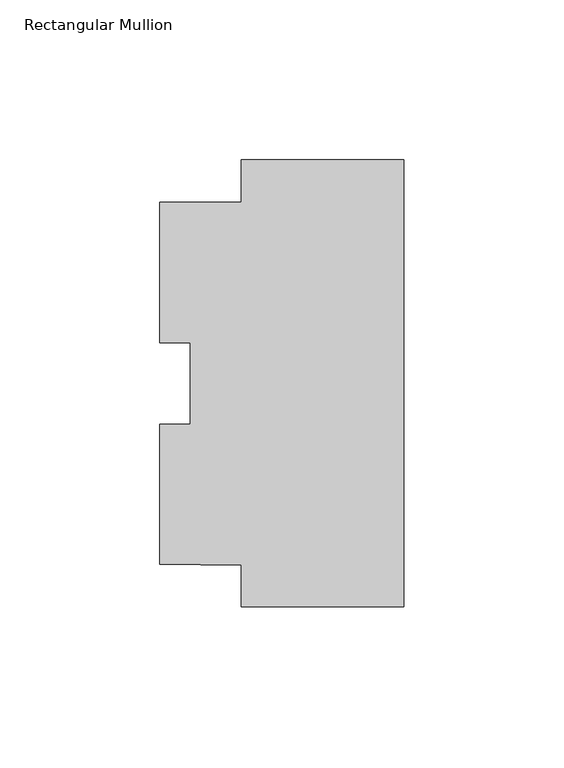
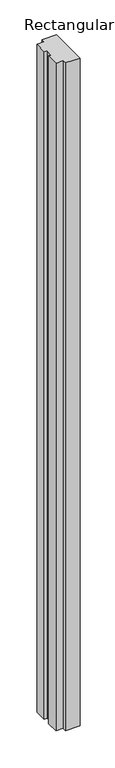
"""IFC4 building model written with IfcOpenShell, lengths in millimetres: member geometry, Rectangular Mullion."""

from ifc_helpers import new_model, si_unit, frame, origin, place, context, project, spatial, polyline, outline, extrude, source, transform, mapped, element, save


def rectangular_mullion_c7b2c851(model_context):
    return source(origin(), model_context, "Body", "SweptSolid", [
        extrude(outline(polyline([(-50.8, 69.8806038), (0.0, 69.8806038), (0.0, -69.8205285), (-50.7746, -69.8205285), (-50.7746, -56.8457671), (-76.2, -56.5109286), (-76.2, -12.7143777), (-66.675, -12.7143777), (-66.675, 12.7733206), (-76.2, 12.7733206), (-76.2, 56.5698714), (-50.8, 56.5698714), (-50.8, 69.8806038)])), frame((0.0, 0.0, -2438.4), z_axis=(0.0, 0.0, 1.0), x_axis=(1.0, 0.0, 0.0)), (0.0, 0.0, 1.0), 2438.4),
    ])


if __name__ == "__main__":
    model = new_model("IFC4")
    model_context = context("Model", 3, world=origin())
    ifc_project = project(units=[si_unit("LENGTHUNIT", "METRE", prefix="MILLI")], contexts=[model_context])
    site = spatial("IfcSite", under=ifc_project)
    building = spatial("IfcBuilding", under=site)
    placement = place(None, origin())
    rectangular_mullion_shape = rectangular_mullion_c7b2c851(model_context)
    element("IfcMember", 1, ObjectType="Rectangular Mullion", at=placement, inside=building, context=model_context, shape_type="MappedRepresentation", body=[
        mapped(rectangular_mullion_shape, transform((0.0, 0.0, 0.0), x_axis=(1.0, 0.0, 0.0), y_axis=(0.0, 1.0, 0.0), z_axis=(0.0, 0.0, 1.0))),
    ])
    save(model, "model.ifc")
